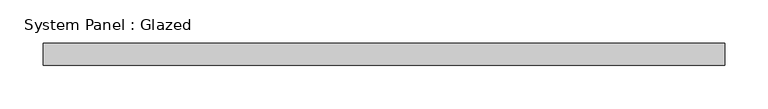
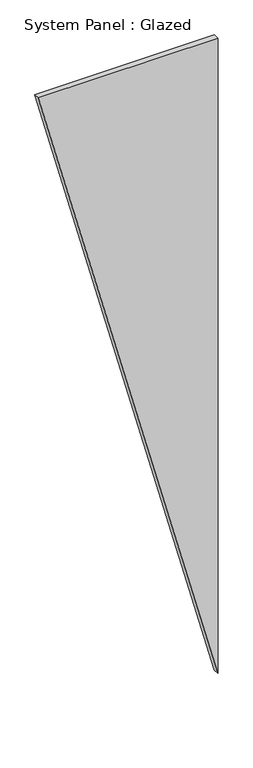
"""IFC4 building model written with IfcOpenShell, lengths in millimetres: plate geometry, System Panel : Glazed."""

import ifcopenshell
import ifcopenshell.guid

model = None  # the IFC model being written
_history = None  # IfcOwnerHistory: only IFC2X3 demands one
_inside = {}  # id of a spatial element -> (the spatial element, [elements in it])
_under = {}  # id of a project, library or spatial element -> (it, [spatial elements below it])
_declared = {}  # id of a project -> (the project, [libraries it declares])
_typed = {}  # id of a type object -> (the type object, [elements of that type])
_made_of = {}  # id of a material, layer set ... -> (it, [elements and type objects made of it])


def new_model(schema):
    """Start an empty IFC model of exactly this schema.

    Asked for "IFC4X3", IfcOpenShell would pick the latest addendum, in which some entities
    have other attributes; the version numbers below select the first issue.
    IFC2X3 requires an IfcOwnerHistory on every rooted entity: one is made here for all.
    """
    global model, _history
    if schema == "IFC4X3":
        model = ifcopenshell.file(schema_version=(4, 3, 0, 0))
    else:
        model = ifcopenshell.file(schema=schema)
    _inside.clear()
    _under.clear()
    _declared.clear()
    _typed.clear()
    _made_of.clear()
    _history = None
    if model.schema == "IFC2X3":
        org = make("IfcOrganization", Name="unknown")
        user = make(
            "IfcPersonAndOrganization",
            ThePerson=make("IfcPerson", FamilyName="unknown"),
            TheOrganization=org,
        )
        app = make(
            "IfcApplication",
            ApplicationDeveloper=org,
            Version="unknown",
            ApplicationFullName="unknown",
            ApplicationIdentifier="unknown",
        )
        _history = make(
            "IfcOwnerHistory",
            OwningUser=user,
            OwningApplication=app,
            ChangeAction="ADDED",
            CreationDate=0,
        )
    return model


def make(cls, **values):
    """One entity of the class cls with the attributes given. An attribute that is None is left unset."""
    return model.create_entity(
        cls, **{name: value for name, value in values.items() if value is not None}
    )


def rooted(cls, **values):
    """An entity with a GlobalId (a new one), such as an element, a storey or a relation."""
    return make(cls, GlobalId=ifcopenshell.guid.new(), OwnerHistory=_history, **values)


def si_unit(unit_type, name, prefix=None):
    """IfcSIUnit, for example si_unit("LENGTHUNIT", "METRE", prefix="MILLI")."""
    return make("IfcSIUnit", UnitType=unit_type, Prefix=prefix, Name=name)


def assignment(units):
    """IfcUnitAssignment: the units of a project."""
    return None if units is None else make("IfcUnitAssignment", Units=units)


def point(xyz):
    """IfcCartesianPoint."""
    return None if xyz is None else make("IfcCartesianPoint", Coordinates=xyz)


def direction(xyz):
    """IfcDirection."""
    return None if xyz is None else make("IfcDirection", DirectionRatios=xyz)


def frame(location, z_axis=None, x_axis=None):
    """IfcAxis2Placement3D, a coordinate frame: its origin and axes. An axis left out is left unset."""
    return make(
        "IfcAxis2Placement3D",
        Location=point(location),
        Axis=direction(z_axis),
        RefDirection=direction(x_axis),
    )


def origin():
    """The frame at (0, 0, 0) with its axes left unset."""
    return frame((0.0, 0.0, 0.0))


def place(relative_to, where):
    """IfcLocalPlacement: puts the frame where relative to a parent placement (None: the world)."""
    return make(
        "IfcLocalPlacement", PlacementRelTo=relative_to, RelativePlacement=where
    )


def context(
    kind, dimensions, precision=None, world=None, true_north=None, identifier=None
):
    """IfcGeometricRepresentationContext, for example the 3D "Model" context."""
    return make(
        "IfcGeometricRepresentationContext",
        ContextIdentifier=identifier,
        ContextType=kind,
        CoordinateSpaceDimension=dimensions,
        Precision=precision,
        WorldCoordinateSystem=world,
        TrueNorth=true_north,
    )


def project(units=None, contexts=None):
    """IfcProject with its units and contexts."""
    return rooted(
        "IfcProject",
        Name="project",
        RepresentationContexts=contexts,
        UnitsInContext=assignment(units),
    )


def spatial(cls, under=None, at=None, **own):
    """A site, building, storey or space (cls), placed at a placement, below another one or the project."""
    s = rooted(cls, ObjectPlacement=at, **own)
    if under is not None:
        _under.setdefault(under.id(), (under, []))[1].append(s)
    return s


def polyline(points):
    """IfcPolyline through the points."""
    return make("IfcPolyline", Points=[point(p) for p in points])


def outline(outer, holes=None, kind="AREA"):
    """IfcArbitraryClosedProfileDef: a profile drawn as a closed curve; with holes, ...WithVoids."""
    if holes is None:
        return make("IfcArbitraryClosedProfileDef", ProfileType=kind, OuterCurve=outer)
    return make(
        "IfcArbitraryProfileDefWithVoids",
        ProfileType=kind,
        OuterCurve=outer,
        InnerCurves=holes,
    )


def extrude(swept, where, along, depth):
    """IfcExtrudedAreaSolid: the profile swept, set in the frame where, extruded along a direction by depth."""
    return make(
        "IfcExtrudedAreaSolid",
        SweptArea=swept,
        Position=where,
        ExtrudedDirection=direction(along),
        Depth=depth,
    )


def shape(context_of_items, identifier, shape_type, items):
    """IfcShapeRepresentation: the items that make up one representation, for example the "Body"."""
    return make(
        "IfcShapeRepresentation",
        ContextOfItems=context_of_items,
        RepresentationIdentifier=identifier,
        RepresentationType=shape_type,
        Items=items,
    )


def source(mapping_origin, context_of_items, identifier, shape_type, items):
    """IfcRepresentationMap: a shape defined once, which mapped items show again and again."""
    return make(
        "IfcRepresentationMap",
        MappingOrigin=mapping_origin,
        MappedRepresentation=shape(context_of_items, identifier, shape_type, items),
    )


def transform(
    local_origin,
    x_axis=None,
    y_axis=None,
    z_axis=None,
    scale=None,
    scale2=None,
    scale3=None,
    uniform=True,
):
    """IfcCartesianTransformationOperator3D, or its non-uniform kind. x_axis, y_axis, z_axis: its Axis1, 2, 3."""
    if uniform:
        return make(
            "IfcCartesianTransformationOperator3D",
            Axis1=direction(x_axis),
            Axis2=direction(y_axis),
            LocalOrigin=point(local_origin),
            Scale=scale,
            Axis3=direction(z_axis),
        )
    return make(
        "IfcCartesianTransformationOperator3DnonUniform",
        Axis1=direction(x_axis),
        Axis2=direction(y_axis),
        LocalOrigin=point(local_origin),
        Scale=scale,
        Axis3=direction(z_axis),
        Scale2=scale2,
        Scale3=scale3,
    )


def mapped(mapping_source, mapping_target):
    """IfcMappedItem: shows the shape of a source again, moved by a transform."""
    return make(
        "IfcMappedItem", MappingSource=mapping_source, MappingTarget=mapping_target
    )


def made_of(thing, what):
    """Note that an element or type object is made of a material, layer set ...; save() writes the relation."""
    if what is not None:
        _made_of.setdefault(what.id(), (what, []))[1].append(thing)
    return thing


def element(
    cls,
    number,
    at=None,
    inside=None,
    cuts=None,
    type_object=None,
    material=None,
    context=None,
    identifier="Body",
    shape_type=None,
    held_by="IfcProductDefinitionShape",
    body=None,
    shapes=None,
    **own,
):
    """One element of the class cls, such as IfcWall. Its Tag is "e" and its number.

    at: its placement. inside: the storey or other place that contains it. cuts: it is an
    opening in that element (IfcRelVoidsElement). A single representation is given by context,
    identifier, shape_type and body (its items); several are given by shapes. held_by: the class
    of the entity that holds the representations. save() writes the other relations.
    """
    e = rooted(cls, Tag="e%d" % number, ObjectPlacement=at, **own)
    if body is not None:
        shapes = [shape(context, identifier, shape_type, body)]
    if shapes is not None:
        e.Representation = make(held_by, Representations=shapes)
    if inside is not None:
        _inside.setdefault(inside.id(), (inside, []))[1].append(e)
    if cuts is not None:
        rooted(
            "IfcRelVoidsElement", RelatingBuildingElement=cuts, RelatedOpeningElement=e
        )
    if type_object is not None:
        _typed.setdefault(type_object.id(), (type_object, []))[1].append(e)
    return made_of(e, material)


def aggregate(whole, parts):
    """IfcRelAggregates: a whole, such as a stair, and the parts it consists of."""
    return rooted("IfcRelAggregates", RelatingObject=whole, RelatedObjects=parts)


def save(model, path):
    """Write the relations noted so far, then the file.

    IfcRelAggregates (storeys below a building ...), IfcRelContainedInSpatialStructure (elements
    in a storey), IfcRelDefinesByType, IfcRelAssociatesMaterial and IfcRelDeclares: one each for
    every whole, place, type object, material and project.
    """
    for whole, parts in _under.values():
        aggregate(whole, parts)
    for where, things in _inside.values():
        rooted(
            "IfcRelContainedInSpatialStructure",
            RelatedElements=things,
            RelatingStructure=where,
        )
    for kind, things in _typed.values():
        rooted("IfcRelDefinesByType", RelatedObjects=things, RelatingType=kind)
    for what, things in _made_of.values():
        rooted("IfcRelAssociatesMaterial", RelatedObjects=things, RelatingMaterial=what)
    for by, libraries in _declared.values():
        rooted("IfcRelDeclares", RelatingContext=by, RelatedDefinitions=libraries)
    model.write(path)


def system_panel_glazed_eb8b0f9e(model_context):
    return source(origin(), model_context, "Body", "SweptSolid", [
        extrude(outline(polyline([(2929.2439988, -392.444282), (0.0, 392.444282), (2929.2439988, 392.444282), (2929.2439988, -392.444282)])), frame((0.0, -22.5, 0.0), z_axis=(0.0, 1.0, 0.0), x_axis=(0.0, 0.0, 1.0)), (0.0, 0.0, 1.0), 25.0),
    ])


if __name__ == "__main__":
    model = new_model("IFC4")
    model_context = context("Model", 3, world=origin())
    ifc_project = project(units=[si_unit("LENGTHUNIT", "METRE", prefix="MILLI")], contexts=[model_context])
    site = spatial("IfcSite", under=ifc_project)
    building = spatial("IfcBuilding", under=site)
    placement = place(None, origin())
    system_panel_glazed_shape = system_panel_glazed_eb8b0f9e(model_context)
    element("IfcPlate", 1, ObjectType="System Panel : Glazed", at=placement, inside=building, context=model_context, shape_type="MappedRepresentation", body=[
        mapped(system_panel_glazed_shape, transform((0.0, 0.0, 0.0), x_axis=(1.0, 0.0, 0.0), y_axis=(0.0, 1.0, 0.0), z_axis=(0.0, 0.0, 1.0))),
    ])
    save(model, "model.ifc")
